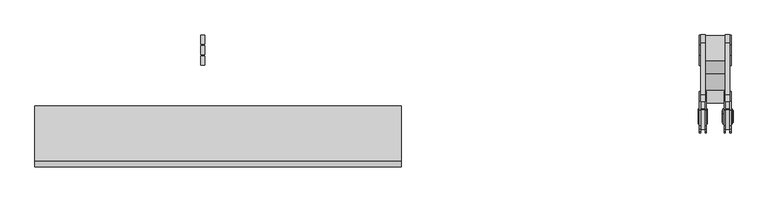
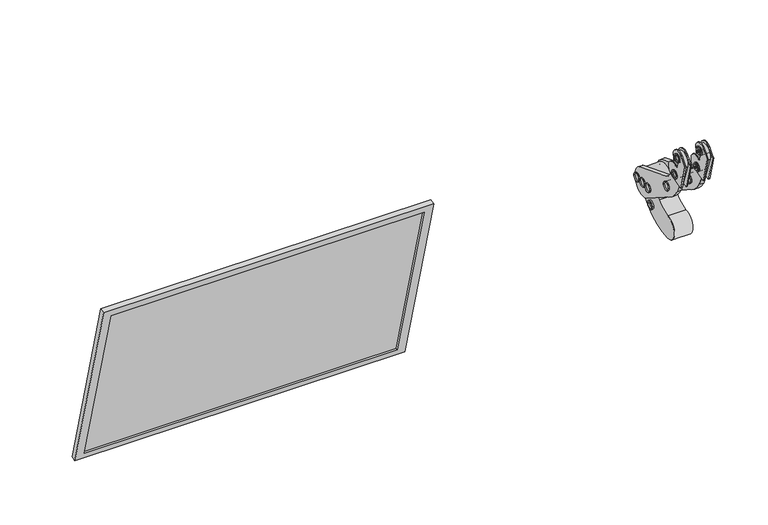
"""IFC4 building model written with IfcOpenShell, lengths in millimetres: proxy geometry."""

from ifc_helpers import new_model, si_unit, point, frame, frame_2d, origin, place, context, project, spatial, polyline, circle_curve, trimmed, segment, composite_curve, outline, extrude, faceted_brep, source, transform, mapped, element, save
from ifc_brep_helpers import plane_surface, cylinder_surface, advanced_brep


def specialty_equipment_129930ec(model_context):
    return source(origin(), model_context, "Body", "SolidModel", [
        advanced_brep(
        [(16.8529955, 1077.7573289, 2368.7338538), (16.8529955, 1066.0680176, 2368.7338538), (16.8529955, 1069.0490953, 2368.368803), (16.8529955, 1070.1647402, 2371.0312585), (16.8529955, 1073.0283159, 2371.3963092), (16.8529955, 1074.7762486, 2369.0989046), (16.8529955, 1073.6606034, 2366.4364491), (16.8529955, 1070.7970267, 2366.0713983), (-2.6876632, 1077.7573289, 2368.7338538), (-2.6876632, 1066.0680176, 2368.7338538), (-2.6876632, 1070.1647402, 2371.0312585), (-2.6876632, 1069.0490953, 2368.368803), (-2.6876632, 1070.7970267, 2366.0713983), (-2.6876632, 1073.6606034, 2366.4364491), (-2.6876632, 1074.7762486, 2369.0989046), (-2.6876632, 1073.0283159, 2371.3963092), (15.3682408, 1070.1647402, 2371.0312585), (15.3682408, 1069.0490953, 2368.368803), (15.3682408, 1070.7970267, 2366.0713983), (15.3682408, 1073.6606034, 2366.4364491), (15.3682408, 1074.7762486, 2369.0989046), (15.3682408, 1073.0283159, 2371.3963092), (-1.0349885, 1070.1647402, 2371.0312585), (-1.0349885, 1073.0283159, 2371.3963092), (-1.0349885, 1074.7762486, 2369.0989046), (-1.0349885, 1073.6606034, 2366.4364491), (-1.0349885, 1070.7970267, 2366.0713983), (-1.0349885, 1069.0490953, 2368.368803)],
        [
            (0, 1, circle_curve(frame((16.8529955, 1071.9126733, 2368.7338538), z_axis=(1.0, 0.0, 0.0), x_axis=(0.0, -1.0, 0.0)), 5.8446557)),
            (1, 0, circle_curve(frame((16.8529955, 1071.9126733, 2368.7338538), z_axis=(1.0, 0.0, 0.0), x_axis=(0.0, -1.0, 0.0)), 5.8446557)),
            (2, 3),
            (3, 4),
            (4, 5),
            (5, 6),
            (6, 7),
            (7, 2),
            (8, 9, circle_curve(frame((-2.6876632, 1071.9126733, 2368.7338538), z_axis=(-1.0, 0.0, 0.0), x_axis=(0.0, -1.0, 0.0)), 5.8446557)),
            (9, 8, circle_curve(frame((-2.6876632, 1071.9126733, 2368.7338538), z_axis=(-1.0, 0.0, 0.0), x_axis=(0.0, -1.0, 0.0)), 5.8446557)),
            (10, 11),
            (11, 12),
            (12, 13),
            (13, 14),
            (14, 15),
            (15, 10),
            (0, 8),
            (9, 1),
            (16, 17),
            (17, 18),
            (18, 19),
            (19, 20),
            (20, 21),
            (21, 16),
            (16, 3),
            (2, 17),
            (7, 18),
            (6, 19),
            (5, 20),
            (4, 21),
            (22, 23),
            (23, 24),
            (24, 25),
            (25, 26),
            (26, 27),
            (27, 22),
            (27, 11),
            (10, 22),
            (26, 12),
            (25, 13),
            (24, 14),
            (23, 15),
        ],
        [
            plane_surface(frame((16.8529955, 1066.0680176, 2368.7338538), z_axis=(1.0, 0.0, 0.0), x_axis=(0.0, 0.0, -1.0))),
            plane_surface(frame((-2.6876632, 1066.0680176, 2368.7338538), z_axis=(-1.0, 0.0, 0.0), x_axis=(0.0, 0.0, 1.0))),
            cylinder_surface(frame((-2.6876632, 1071.9126733, 2368.7338538), z_axis=(1.0, 0.0, 0.0), x_axis=(0.0, -1.0, 0.0)), 5.8446557),
            plane_surface(frame((15.3682408, 1070.1647402, 2371.0312585), z_axis=(1.0, 0.0, 0.0), x_axis=(0.0, 0.38647073058381537, 0.9223016721236127))),
            plane_surface(frame((22.7738901, 1070.1647402, 2371.0312585), z_axis=(0.0, 0.9223016721236127, -0.38647073058381537), x_axis=(-1.0, 0.0, 0.0))),
            plane_surface(frame((22.7738901, 1069.0490953, 2368.368803), z_axis=(0.0, 0.7958443731968338, 0.6055012251440445), x_axis=(-1.0, 0.0, 0.0))),
            plane_surface(frame((22.7738901, 1070.7970267, 2366.0713983), z_axis=(0.0, -0.12645730660184673, 0.9919720508194808), x_axis=(-1.0, 0.0, 0.0))),
            plane_surface(frame((22.7738901, 1073.6606034, 2366.4364491), z_axis=(0.0, -0.9223016266744618, 0.3864708390469345), x_axis=(-1.0, 0.0, 0.0))),
            plane_surface(frame((22.7738901, 1074.7762486, 2369.0989046), z_axis=(0.0, -0.7958441452566694, -0.6055015247385274), x_axis=(-1.0, 0.0, 0.0))),
            plane_surface(frame((22.7738901, 1073.0283159, 2371.3963092), z_axis=(0.0, 0.12645730660137405, -0.9919720508195411), x_axis=(-1.0, 0.0, 0.0))),
            plane_surface(frame((-1.0349885, 1070.1647402, 2371.0312585), z_axis=(-1.0, 0.0, 0.0), x_axis=(0.0, -0.38647073058381537, -0.9223016721236127))),
            plane_surface(frame((-1.0349885, 1070.1647402, 2371.0312585), z_axis=(0.0, 0.9223016721236127, -0.38647073058381537), x_axis=(-1.0, 0.0, 0.0))),
            plane_surface(frame((-1.0349885, 1069.0490953, 2368.368803), z_axis=(0.0, 0.7958443731968338, 0.6055012251440445), x_axis=(-1.0, 0.0, 0.0))),
            plane_surface(frame((-1.0349885, 1070.7970267, 2366.0713983), z_axis=(0.0, -0.12645730660184673, 0.9919720508194808), x_axis=(-1.0, 0.0, 0.0))),
            plane_surface(frame((-1.0349885, 1073.6606034, 2366.4364491), z_axis=(0.0, -0.9223016266744618, 0.3864708390469345), x_axis=(-1.0, 0.0, 0.0))),
            plane_surface(frame((-1.0349885, 1074.7762486, 2369.0989046), z_axis=(0.0, -0.7958441452566694, -0.6055015247385274), x_axis=(-1.0, 0.0, 0.0))),
            plane_surface(frame((-1.0349885, 1073.0283159, 2371.3963092), z_axis=(0.0, 0.12645730660137405, -0.9919720508195411), x_axis=(-1.0, 0.0, 0.0))),
        ],
        [
            (0, [[1, 2], [3, 4, 5, 6, 7, 8]]),
            (1, [[9, 10], [11, 12, 13, 14, 15, 16]]),
            (2, [[-1, 17, -10, 18]]),
            (2, [[-2, -18, -9, -17]]),
            (3, [[19, 20, 21, 22, 23, 24]]),
            (4, [[-19, 25, -3, 26]]),
            (5, [[-20, -26, -8, 27]]),
            (6, [[-21, -27, -7, 28]]),
            (7, [[-22, -28, -6, 29]]),
            (8, [[-23, -29, -5, 30]]),
            (9, [[-24, -30, -4, -25]]),
            (10, [[31, 32, 33, 34, 35, 36]]),
            (11, [[-36, 37, -11, 38]]),
            (12, [[-35, 39, -12, -37]]),
            (13, [[-34, 40, -13, -39]]),
            (14, [[-33, 41, -14, -40]]),
            (15, [[-32, 42, -15, -41]]),
            (16, [[-31, -38, -16, -42]]),
        ],
    ),
        advanced_brep(
        [(16.8529955, 1086.7730153, 2329.6230505), (16.8529955, 1075.0837039, 2329.6230505), (16.8529955, 1079.1544957, 2331.900492), (16.8529955, 1082.0137485, 2332.2979825), (16.8529955, 1083.7876125, 2330.020541), (16.8529955, 1082.7022223, 2327.345609), (16.8529955, 1079.8429681, 2326.9481184), (16.8529955, 1078.0691055, 2329.2255599), (-2.6876632, 1086.7730153, 2329.6230505), (-2.6876632, 1075.0837039, 2329.6230505), (-2.6876632, 1082.0137485, 2332.2979825), (-2.6876632, 1079.1544957, 2331.900492), (-2.6876632, 1078.0691055, 2329.2255599), (-2.6876632, 1079.8429681, 2326.9481184), (-2.6876632, 1082.7022223, 2327.345609), (-2.6876632, 1083.7876125, 2330.020541), (15.3682408, 1082.0137485, 2332.2979825), (15.3682408, 1079.1544957, 2331.900492), (15.3682408, 1078.0691055, 2329.2255599), (15.3682408, 1079.8429681, 2326.9481184), (15.3682408, 1082.7022223, 2327.345609), (15.3682408, 1083.7876125, 2330.020541), (-1.0349885, 1082.0137485, 2332.2979825), (-1.0349885, 1083.7876125, 2330.020541), (-1.0349885, 1082.7022223, 2327.345609), (-1.0349885, 1079.8429681, 2326.9481184), (-1.0349885, 1078.0691055, 2329.2255599), (-1.0349885, 1079.1544957, 2331.900492)],
        [
            (0, 1, circle_curve(frame((16.8529955, 1080.9283596, 2329.6230505), z_axis=(1.0, 0.0, 0.0), x_axis=(0.0, -1.0, 0.0)), 5.8446557)),
            (1, 0, circle_curve(frame((16.8529955, 1080.9283596, 2329.6230505), z_axis=(1.0, 0.0, 0.0), x_axis=(0.0, -1.0, 0.0)), 5.8446557)),
            (2, 3),
            (3, 4),
            (4, 5),
            (5, 6),
            (6, 7),
            (7, 2),
            (8, 9, circle_curve(frame((-2.6876632, 1080.9283596, 2329.6230505), z_axis=(-1.0, 0.0, 0.0), x_axis=(0.0, -1.0, 0.0)), 5.8446557)),
            (9, 8, circle_curve(frame((-2.6876632, 1080.9283596, 2329.6230505), z_axis=(-1.0, 0.0, 0.0), x_axis=(0.0, -1.0, 0.0)), 5.8446557)),
            (10, 11),
            (11, 12),
            (12, 13),
            (13, 14),
            (14, 15),
            (15, 10),
            (0, 8),
            (9, 1),
            (16, 17),
            (17, 18),
            (18, 19),
            (19, 20),
            (20, 21),
            (21, 16),
            (16, 3),
            (2, 17),
            (7, 18),
            (6, 19),
            (5, 20),
            (4, 21),
            (22, 23),
            (23, 24),
            (24, 25),
            (25, 26),
            (26, 27),
            (27, 22),
            (27, 11),
            (10, 22),
            (26, 12),
            (25, 13),
            (24, 14),
            (23, 15),
        ],
        [
            plane_surface(frame((16.8529955, 1066.0680176, 2368.7338538), z_axis=(1.0, 0.0, 0.0), x_axis=(0.0, 0.0, -1.0))),
            plane_surface(frame((-2.6876632, 1066.0680176, 2368.7338538), z_axis=(-1.0, 0.0, 0.0), x_axis=(0.0, 0.0, 1.0))),
            cylinder_surface(frame((-2055.3925339, 1080.9283596, 2329.6230505), z_axis=(1.0, 0.0, 0.0), x_axis=(0.0, -1.0, 0.0)), 5.8446557),
            plane_surface(frame((15.3682408, 1070.1647402, 2371.0312585), z_axis=(1.0, 0.0, 0.0), x_axis=(0.0, 0.38647073058381537, 0.9223016721236127))),
            plane_surface(frame((22.7738901, 1082.0137485, 2332.2979825), z_axis=(0.0, 0.13769483439562244, -0.9904747006263017), x_axis=(-1.0, 0.0, 0.0))),
            plane_surface(frame((22.7738901, 1079.1544957, 2331.900492), z_axis=(0.0, 0.9266236435334714, -0.3759901903570812), x_axis=(-1.0, 0.0, 0.0))),
            plane_surface(frame((22.7738901, 1078.0691055, 2329.2255599), z_axis=(0.0, 0.7889291170033963, 0.6144842132587636), x_axis=(-1.0, 0.0, 0.0))),
            plane_surface(frame((22.7738901, 1079.8429681, 2326.9481184), z_axis=(0.0, -0.1376947659339683, 0.9904747101437724), x_axis=(-1.0, 0.0, 0.0))),
            plane_surface(frame((22.7738901, 1082.7022223, 2327.345609), z_axis=(0.0, -0.9266236435332336, 0.3759901903576673), x_axis=(-1.0, 0.0, 0.0))),
            plane_surface(frame((22.7738901, 1083.7876125, 2330.020541), z_axis=(0.0, -0.7889288807086753, -0.6144845166346805), x_axis=(-1.0, 0.0, 0.0))),
            plane_surface(frame((-1.0349885, 1070.1647402, 2371.0312585), z_axis=(-1.0, 0.0, 0.0), x_axis=(0.0, -0.38647073058381537, -0.9223016721236127))),
            plane_surface(frame((-1.0349885, 1082.0137485, 2332.2979825), z_axis=(0.0, 0.13769483439562244, -0.9904747006263017), x_axis=(-1.0, 0.0, 0.0))),
            plane_surface(frame((-1.0349885, 1079.1544957, 2331.900492), z_axis=(0.0, 0.9266236435334714, -0.3759901903570812), x_axis=(-1.0, 0.0, 0.0))),
            plane_surface(frame((-1.0349885, 1078.0691055, 2329.2255599), z_axis=(0.0, 0.7889291170033963, 0.6144842132587636), x_axis=(-1.0, 0.0, 0.0))),
            plane_surface(frame((-1.0349885, 1079.8429681, 2326.9481184), z_axis=(0.0, -0.1376947659339683, 0.9904747101437724), x_axis=(-1.0, 0.0, 0.0))),
            plane_surface(frame((-1.0349885, 1082.7022223, 2327.345609), z_axis=(0.0, -0.9266236435332336, 0.3759901903576673), x_axis=(-1.0, 0.0, 0.0))),
            plane_surface(frame((-1.0349885, 1083.7876125, 2330.020541), z_axis=(0.0, -0.7889288807086753, -0.6144845166346805), x_axis=(-1.0, 0.0, 0.0))),
        ],
        [
            (0, [[1, 2], [3, 4, 5, 6, 7, 8]]),
            (1, [[9, 10], [11, 12, 13, 14, 15, 16]]),
            (2, [[-1, 17, -10, 18]]),
            (2, [[-2, -18, -9, -17]]),
            (3, [[19, 20, 21, 22, 23, 24]]),
            (4, [[-19, 25, -3, 26]]),
            (5, [[-20, -26, -8, 27]]),
            (6, [[-21, -27, -7, 28]]),
            (7, [[-22, -28, -6, 29]]),
            (8, [[-23, -29, -5, 30]]),
            (9, [[-24, -30, -4, -25]]),
            (10, [[31, 32, 33, 34, 35, 36]]),
            (11, [[-36, 37, -11, 38]]),
            (12, [[-35, 39, -12, -37]]),
            (13, [[-34, 40, -13, -39]]),
            (14, [[-33, 41, -14, -40]]),
            (15, [[-32, 42, -15, -41]]),
            (16, [[-31, -38, -16, -42]]),
        ],
    ),
        extrude(outline(composite_curve([segment(trimmed(circle_curve(frame_2d((1175.4982895, 2243.5686033)), 8.65), [point((1184.1482895, 2243.5686033))], [point((1166.8482895, 2243.5686033))], False, "CARTESIAN"), True, "CONTINUOUS"), segment(trimmed(circle_curve(frame_2d((1175.4982895, 2243.5686033)), 8.65), [point((1166.8482895, 2243.5686033))], [point((1184.1482895, 2243.5686033))], False, "CARTESIAN"), True, "CONTINUOUS")], self_intersect=False), holes=[composite_curve([segment(trimmed(circle_curve(frame_2d((1175.4570308, 2243.6951894)), 8.0), [point((1183.4570308, 2243.6951894))], [point((1167.4570307, 2243.6951894))], True, "CARTESIAN"), True, "CONTINUOUS"), segment(trimmed(circle_curve(frame_2d((1175.4570308, 2243.6951894)), 8.0), [point((1167.4570307, 2243.6951894))], [point((1183.4570308, 2243.6951894))], True, "CARTESIAN"), True, "CONTINUOUS")], self_intersect=False)]), frame((-42.9467709, 0.0, 0.0), z_axis=(1.0, 0.0, 0.0), x_axis=(0.0, 1.0, 0.0)), (0.0, 0.0, 1.0), 2.0895853),
        extrude(outline(composite_curve([segment(trimmed(circle_curve(frame_2d((1193.9243828, 2243.5781776)), 8.65), [point((1202.5743828, 2243.5781776))], [point((1185.2743828, 2243.5781776))], False, "CARTESIAN"), True, "CONTINUOUS"), segment(trimmed(circle_curve(frame_2d((1193.9243828, 2243.5781776)), 8.65), [point((1185.2743828, 2243.5781776))], [point((1202.5743828, 2243.5781776))], False, "CARTESIAN"), True, "CONTINUOUS")], self_intersect=False), holes=[composite_curve([segment(trimmed(circle_curve(frame_2d((1193.9243828, 2243.5781776)), 8.0), [point((1201.9243828, 2243.5781776))], [point((1185.9243828, 2243.5781776))], True, "CARTESIAN"), True, "CONTINUOUS"), segment(trimmed(circle_curve(frame_2d((1193.9243828, 2243.5781776)), 8.0), [point((1185.9243828, 2243.5781776))], [point((1201.9243828, 2243.5781776))], True, "CARTESIAN"), True, "CONTINUOUS")], self_intersect=False)]), frame((-42.9467709, 0.0, 0.0), z_axis=(1.0, 0.0, 0.0), x_axis=(0.0, 1.0, 0.0)), (0.0, 0.0, 1.0), 2.0895853),
        extrude(outline(composite_curve([segment(trimmed(circle_curve(frame_2d((1212.3917369, 2243.5827149)), 8.65), [point((1221.0417369, 2243.5827149))], [point((1203.7417369, 2243.5827149))], False, "CARTESIAN"), True, "CONTINUOUS"), segment(trimmed(circle_curve(frame_2d((1212.3917369, 2243.5827149)), 8.65), [point((1203.7417369, 2243.5827149))], [point((1221.0417369, 2243.5827149))], False, "CARTESIAN"), True, "CONTINUOUS")], self_intersect=False), holes=[composite_curve([segment(trimmed(circle_curve(frame_2d((1212.3917369, 2243.5827149)), 8.0), [point((1220.3917369, 2243.5827149))], [point((1204.3917369, 2243.5827149))], True, "CARTESIAN"), True, "CONTINUOUS"), segment(trimmed(circle_curve(frame_2d((1212.3917369, 2243.5827149)), 8.0), [point((1204.3917369, 2243.5827149))], [point((1220.3917369, 2243.5827149))], True, "CARTESIAN"), True, "CONTINUOUS")], self_intersect=False)]), frame((-42.9467709, 0.0, 0.0), z_axis=(1.0, 0.0, 0.0), x_axis=(0.0, 1.0, 0.0)), (0.0, 0.0, 1.0), 2.0895853),
        extrude(outline(composite_curve([segment(trimmed(circle_curve(frame_2d((1112.0049574, 2285.6600288)), 8.65), [point((1120.6549574, 2285.6600288))], [point((1103.3549574, 2285.6600288))], False, "CARTESIAN"), True, "CONTINUOUS"), segment(trimmed(circle_curve(frame_2d((1112.0049574, 2285.6600288)), 8.65), [point((1103.3549574, 2285.6600288))], [point((1120.6549574, 2285.6600288))], False, "CARTESIAN"), True, "CONTINUOUS")], self_intersect=False), holes=[composite_curve([segment(trimmed(circle_curve(frame_2d((1112.0049574, 2285.6600288)), 8.0), [point((1120.0049574, 2285.6600288))], [point((1104.0049574, 2285.6600288))], True, "CARTESIAN"), True, "CONTINUOUS"), segment(trimmed(circle_curve(frame_2d((1112.0049574, 2285.6600288)), 8.0), [point((1104.0049574, 2285.6600288))], [point((1120.0049574, 2285.6600288))], True, "CARTESIAN"), True, "CONTINUOUS")], self_intersect=False)]), frame((-42.9467709, 0.0, 0.0), z_axis=(1.0, 0.0, 0.0), x_axis=(0.0, 1.0, 0.0)), (0.0, 0.0, 1.0), 12.1793386),
        extrude(outline(composite_curve([segment(trimmed(circle_curve(frame_2d((1178.9307976, 2203.5757744)), 8.45), [point((1187.3807976, 2203.5757744))], [point((1170.4807976, 2203.5757744))], False, "CARTESIAN"), True, "CONTINUOUS"), segment(trimmed(circle_curve(frame_2d((1178.9307976, 2203.5757744)), 8.45), [point((1170.4807976, 2203.5757744))], [point((1187.3807976, 2203.5757744))], False, "CARTESIAN"), True, "CONTINUOUS")], self_intersect=False), holes=[composite_curve([segment(trimmed(circle_curve(frame_2d((1178.9307976, 2203.5757744)), 5.8446557), [point((1184.7754533, 2203.5757744))], [point((1173.086142, 2203.5757744))], True, "CARTESIAN"), True, "CONTINUOUS"), segment(trimmed(circle_curve(frame_2d((1178.9307976, 2203.5757744)), 5.8446557), [point((1173.086142, 2203.5757744))], [point((1184.7754533, 2203.5757744))], True, "CARTESIAN"), True, "CONTINUOUS")], self_intersect=False)]), frame((-35.6898023, 0.0, 0.0), z_axis=(1.0, 0.0, 0.0), x_axis=(0.0, 1.0, 0.0)), (0.0, 0.0, 1.0), 42.0069327),
        extrude(outline(composite_curve([segment(trimmed(circle_curve(frame_2d((1112.0049574, 2285.6600288)), 8.65), [point((1120.6549574, 2285.6600288))], [point((1103.3549574, 2285.6600288))], False, "CARTESIAN"), True, "CONTINUOUS"), segment(trimmed(circle_curve(frame_2d((1112.0049574, 2285.6600288)), 8.65), [point((1103.3549574, 2285.6600288))], [point((1120.6549574, 2285.6600288))], False, "CARTESIAN"), True, "CONTINUOUS")], self_intersect=False), holes=[composite_curve([segment(trimmed(circle_curve(frame_2d((1112.0049574, 2285.6600288)), 8.0), [point((1120.0049574, 2285.6600288))], [point((1104.0049574, 2285.6600288))], True, "CARTESIAN"), True, "CONTINUOUS"), segment(trimmed(circle_curve(frame_2d((1112.0049574, 2285.6600288)), 8.0), [point((1104.0049574, 2285.6600288))], [point((1120.0049574, 2285.6600288))], True, "CARTESIAN"), True, "CONTINUOUS")], self_intersect=False)]), frame((1.0401961, 0.0, 0.0), z_axis=(1.0, 0.0, 0.0), x_axis=(0.0, 1.0, 0.0)), (0.0, 0.0, 1.0), 12.1793386),
        extrude(outline(composite_curve([segment(polyline([(1079.190106, 2358.3621293), (1077.0142911, 2362.1307512)]), True, "CONTINUOUS"), segment(trimmed(circle_curve(frame_2d((1071.9192009, 2368.1481455)), 7.8847307), [point((1077.0142911, 2362.1307512))], [point((1069.8647097, 2360.5357842))], False, "CARTESIAN"), True, "CONTINUOUS"), segment(polyline([(1069.8647097, 2360.5357842), (1072.4044544, 2351.0573281)]), True, "CONTINUOUS"), segment(trimmed(circle_curve(frame_2d((1077.2340835, 2352.3514234)), 5.0), [point((1072.4044544, 2351.0573281))], [point((1078.5298679, 2347.5222472))], True, "CARTESIAN"), True, "CONTINUOUS"), segment(polyline([(1078.5298679, 2347.5222472), (1084.3680941, 2349.0865951)]), True, "CONTINUOUS"), segment(trimmed(circle_curve(frame_2d((1088.1393221, 2335.0121808)), 14.5709059), [point((1084.3680941, 2349.0865951))], [point((1097.7233332, 2324.0368434))], False, "CARTESIAN"), True, "CONTINUOUS"), segment(trimmed(circle_curve(frame_2d((1087.953145, 2334.7408388)), 14.4924841), [point((1097.7233332, 2324.0368434))], [point((1091.6769866, 2320.7349436))], False, "CARTESIAN"), True, "CONTINUOUS"), segment(polyline([(1091.6769866, 2320.7349436), (1060.7634624, 2312.5157569), (1046.9755758, 2364.373949)]), True, "CONTINUOUS"), segment(trimmed(circle_curve(frame_2d((1045.5188858, 2369.1570499)), 5.0), [point((1046.9755758, 2364.373949))], [point((1049.4589396, 2366.0787425))], True, "CARTESIAN"), True, "CONTINUOUS"), segment(polyline([(1049.4589396, 2366.0787425), (1054.3874606, 2372.3869618), (1060.7469074, 2379.5888948)]), True, "CONTINUOUS"), segment(trimmed(circle_curve(frame_2d((1071.3575234, 2368.5845243)), 15.2866393), [point((1060.7469074, 2379.5888948))], [point((1082.3618939, 2357.9739084))], False, "CARTESIAN"), True, "CONTINUOUS"), segment(trimmed(circle_curve(frame_2d((1080.9221568, 2359.3621293)), 2.0), [point((1082.3618939, 2357.9739084))], [point((1079.190106, 2358.3621293))], False, "CARTESIAN"), True, "CONTINUOUS")], self_intersect=False)), frame((-42.9467709, 0.0, 0.0), z_axis=(1.0, 0.0, 0.0), x_axis=(0.0, 1.0, 0.0)), (0.0, 0.0, 1.0), 2.0895853),
        extrude(outline(composite_curve([segment(trimmed(circle_curve(frame_2d((1071.9126733, 2368.7338538)), 8.45), [point((1080.3626733, 2368.7338538))], [point((1063.4626733, 2368.7338538))], False, "CARTESIAN"), True, "CONTINUOUS"), segment(trimmed(circle_curve(frame_2d((1071.9126733, 2368.7338538)), 8.45), [point((1063.4626733, 2368.7338538))], [point((1080.3626733, 2368.7338538))], False, "CARTESIAN"), True, "CONTINUOUS")], self_intersect=False), holes=[composite_curve([segment(trimmed(circle_curve(frame_2d((1071.9126733, 2368.7338538)), 5.8446557), [point((1077.7573289, 2368.7338538))], [point((1066.0680176, 2368.7338538))], True, "CARTESIAN"), True, "CONTINUOUS"), segment(trimmed(circle_curve(frame_2d((1071.9126733, 2368.7338538)), 5.8446557), [point((1066.0680176, 2368.7338538))], [point((1077.7573289, 2368.7338538))], True, "CARTESIAN"), True, "CONTINUOUS")], self_intersect=False)]), frame((-45.0219556, 0.0, 0.0), z_axis=(1.0, 0.0, 0.0), x_axis=(0.0, 1.0, 0.0)), (0.0, 0.0, 1.0), 16.4032293),
        extrude(outline(composite_curve([segment(trimmed(circle_curve(frame_2d((1080.9283596, 2329.6230505)), 8.45), [point((1089.3783596, 2329.6230505))], [point((1072.4783596, 2329.6230505))], False, "CARTESIAN"), True, "CONTINUOUS"), segment(trimmed(circle_curve(frame_2d((1080.9283596, 2329.6230505)), 8.45), [point((1072.4783596, 2329.6230505))], [point((1089.3783596, 2329.6230505))], False, "CARTESIAN"), True, "CONTINUOUS")], self_intersect=False), holes=[composite_curve([segment(trimmed(circle_curve(frame_2d((1080.9283596, 2329.6230505)), 5.8446557), [point((1086.7730153, 2329.6230505))], [point((1075.0837039, 2329.6230505))], True, "CARTESIAN"), True, "CONTINUOUS"), segment(trimmed(circle_curve(frame_2d((1080.9283596, 2329.6230505)), 5.8446557), [point((1075.0837039, 2329.6230505))], [point((1086.7730153, 2329.6230505))], True, "CARTESIAN"), True, "CONTINUOUS")], self_intersect=False)]), frame((-45.0219556, 0.0, 0.0), z_axis=(1.0, 0.0, 0.0), x_axis=(0.0, 1.0, 0.0)), (0.0, 0.0, 1.0), 16.4032293),
        extrude(outline(composite_curve([segment(polyline([(1079.190106, 2358.3621293), (1077.0142911, 2362.1307512)]), True, "CONTINUOUS"), segment(trimmed(circle_curve(frame_2d((1071.9192009, 2368.1481455)), 7.8847307), [point((1077.0142911, 2362.1307512))], [point((1069.8647097, 2360.5357842))], False, "CARTESIAN"), True, "CONTINUOUS"), segment(polyline([(1069.8647097, 2360.5357842), (1072.4044544, 2351.0573281)]), True, "CONTINUOUS"), segment(trimmed(circle_curve(frame_2d((1077.2340835, 2352.3514234)), 5.0), [point((1072.4044544, 2351.0573281))], [point((1078.5298679, 2347.5222472))], True, "CARTESIAN"), True, "CONTINUOUS"), segment(polyline([(1078.5298679, 2347.5222472), (1084.3680941, 2349.0865951)]), True, "CONTINUOUS"), segment(trimmed(circle_curve(frame_2d((1088.1393221, 2335.0121808)), 14.5709059), [point((1084.3680941, 2349.0865951))], [point((1097.7233332, 2324.0368434))], False, "CARTESIAN"), True, "CONTINUOUS"), segment(trimmed(circle_curve(frame_2d((1087.953145, 2334.7408388)), 14.4924841), [point((1097.7233332, 2324.0368434))], [point((1091.6769866, 2320.7349436))], False, "CARTESIAN"), True, "CONTINUOUS"), segment(polyline([(1091.6769866, 2320.7349436), (1060.7634624, 2312.5157569), (1046.9755758, 2364.373949)]), True, "CONTINUOUS"), segment(trimmed(circle_curve(frame_2d((1045.5188858, 2369.1570499)), 5.0), [point((1046.9755758, 2364.373949))], [point((1049.4589396, 2366.0787425))], True, "CARTESIAN"), True, "CONTINUOUS"), segment(polyline([(1049.4589396, 2366.0787425), (1054.3874606, 2372.3869618), (1060.7469074, 2379.5888948)]), True, "CONTINUOUS"), segment(trimmed(circle_curve(frame_2d((1071.3575234, 2368.5845243)), 15.2866393), [point((1060.7469074, 2379.5888948))], [point((1082.3618939, 2357.9739084))], False, "CARTESIAN"), True, "CONTINUOUS"), segment(trimmed(circle_curve(frame_2d((1080.9221568, 2359.3621293)), 2.0), [point((1082.3618939, 2357.9739084))], [point((1079.190106, 2358.3621293))], False, "CARTESIAN"), True, "CONTINUOUS")], self_intersect=False)), frame((-32.8570176, 0.0, 0.0), z_axis=(1.0, 0.0, 0.0), x_axis=(0.0, 1.0, 0.0)), (0.0, 0.0, 1.0), 2.0895853),
        extrude(outline(composite_curve([segment(trimmed(circle_curve(frame_2d((1175.4982895, 2243.5686033)), 8.65), [point((1184.1482895, 2243.5686033))], [point((1166.8482895, 2243.5686033))], False, "CARTESIAN"), True, "CONTINUOUS"), segment(trimmed(circle_curve(frame_2d((1175.4982895, 2243.5686033)), 8.65), [point((1166.8482895, 2243.5686033))], [point((1184.1482895, 2243.5686033))], False, "CARTESIAN"), True, "CONTINUOUS")], self_intersect=False), holes=[composite_curve([segment(trimmed(circle_curve(frame_2d((1175.4570308, 2243.6951894)), 8.0), [point((1183.4570308, 2243.6951894))], [point((1167.4570307, 2243.6951894))], True, "CARTESIAN"), True, "CONTINUOUS"), segment(trimmed(circle_curve(frame_2d((1175.4570308, 2243.6951894)), 8.0), [point((1167.4570307, 2243.6951894))], [point((1183.4570308, 2243.6951894))], True, "CARTESIAN"), True, "CONTINUOUS")], self_intersect=False)]), frame((6.3568341, 0.0, 0.0), z_axis=(1.0, 0.0, 0.0), x_axis=(0.0, 1.0, 0.0)), (0.0, 0.0, 1.0), 6.8627007),
        extrude(outline(composite_curve([segment(trimmed(circle_curve(frame_2d((1193.9243828, 2243.5781776)), 8.65), [point((1202.5743828, 2243.5781776))], [point((1185.2743828, 2243.5781776))], False, "CARTESIAN"), True, "CONTINUOUS"), segment(trimmed(circle_curve(frame_2d((1193.9243828, 2243.5781776)), 8.65), [point((1185.2743828, 2243.5781776))], [point((1202.5743828, 2243.5781776))], False, "CARTESIAN"), True, "CONTINUOUS")], self_intersect=False), holes=[composite_curve([segment(trimmed(circle_curve(frame_2d((1193.9243828, 2243.5781776)), 8.0), [point((1201.9243828, 2243.5781776))], [point((1185.9243828, 2243.5781776))], True, "CARTESIAN"), True, "CONTINUOUS"), segment(trimmed(circle_curve(frame_2d((1193.9243828, 2243.5781776)), 8.0), [point((1185.9243828, 2243.5781776))], [point((1201.9243828, 2243.5781776))], True, "CARTESIAN"), True, "CONTINUOUS")], self_intersect=False)]), frame((6.3568341, 0.0, 0.0), z_axis=(1.0, 0.0, 0.0), x_axis=(0.0, 1.0, 0.0)), (0.0, 0.0, 1.0), 6.8627007),
        extrude(outline(composite_curve([segment(trimmed(circle_curve(frame_2d((1212.3917369, 2243.5827149)), 8.65), [point((1221.0417369, 2243.5827149))], [point((1203.7417369, 2243.5827149))], False, "CARTESIAN"), True, "CONTINUOUS"), segment(trimmed(circle_curve(frame_2d((1212.3917369, 2243.5827149)), 8.65), [point((1203.7417369, 2243.5827149))], [point((1221.0417369, 2243.5827149))], False, "CARTESIAN"), True, "CONTINUOUS")], self_intersect=False), holes=[composite_curve([segment(trimmed(circle_curve(frame_2d((1212.3917369, 2243.5827149)), 8.0), [point((1220.3917369, 2243.5827149))], [point((1204.3917369, 2243.5827149))], True, "CARTESIAN"), True, "CONTINUOUS"), segment(trimmed(circle_curve(frame_2d((1212.3917369, 2243.5827149)), 8.0), [point((1204.3917369, 2243.5827149))], [point((1220.3917369, 2243.5827149))], True, "CARTESIAN"), True, "CONTINUOUS")], self_intersect=False)]), frame((6.3568341, 0.0, 0.0), z_axis=(1.0, 0.0, 0.0), x_axis=(0.0, 1.0, 0.0)), (0.0, 0.0, 1.0), 6.8627007),
        extrude(outline(composite_curve([segment(polyline([(1079.190106, 2358.3621293), (1077.0142911, 2362.1307512)]), True, "CONTINUOUS"), segment(trimmed(circle_curve(frame_2d((1071.9192009, 2368.1481455)), 7.8847307), [point((1077.0142911, 2362.1307512))], [point((1069.8647097, 2360.5357842))], False, "CARTESIAN"), True, "CONTINUOUS"), segment(polyline([(1069.8647097, 2360.5357842), (1072.4044544, 2351.0573281)]), True, "CONTINUOUS"), segment(trimmed(circle_curve(frame_2d((1077.2340835, 2352.3514234)), 5.0), [point((1072.4044544, 2351.0573281))], [point((1078.5298679, 2347.5222472))], True, "CARTESIAN"), True, "CONTINUOUS"), segment(polyline([(1078.5298679, 2347.5222472), (1084.3680941, 2349.0865951)]), True, "CONTINUOUS"), segment(trimmed(circle_curve(frame_2d((1088.1393221, 2335.0121808)), 14.5709059), [point((1084.3680941, 2349.0865951))], [point((1097.7233332, 2324.0368434))], False, "CARTESIAN"), True, "CONTINUOUS"), segment(trimmed(circle_curve(frame_2d((1087.953145, 2334.7408388)), 14.4924841), [point((1097.7233332, 2324.0368434))], [point((1091.6769866, 2320.7349436))], False, "CARTESIAN"), True, "CONTINUOUS"), segment(polyline([(1091.6769866, 2320.7349436), (1060.7634624, 2312.5157569), (1046.9755758, 2364.373949)]), True, "CONTINUOUS"), segment(trimmed(circle_curve(frame_2d((1045.5188858, 2369.1570499)), 5.0), [point((1046.9755758, 2364.373949))], [point((1049.4589396, 2366.0787425))], True, "CARTESIAN"), True, "CONTINUOUS"), segment(polyline([(1049.4589396, 2366.0787425), (1054.3874606, 2372.3869618), (1060.7469074, 2379.5888948)]), True, "CONTINUOUS"), segment(trimmed(circle_curve(frame_2d((1071.3575234, 2368.5845243)), 15.2866393), [point((1060.7469074, 2379.5888948))], [point((1082.3618939, 2357.9739084))], False, "CARTESIAN"), True, "CONTINUOUS"), segment(trimmed(circle_curve(frame_2d((1080.9221568, 2359.3621293)), 2.0), [point((1082.3618939, 2357.9739084))], [point((1079.190106, 2358.3621293))], False, "CARTESIAN"), True, "CONTINUOUS")], self_intersect=False)), frame((1.0401961, 0.0, 0.0), z_axis=(1.0, 0.0, 0.0), x_axis=(0.0, 1.0, 0.0)), (0.0, 0.0, 1.0), 2.0895853),
        extrude(outline(composite_curve([segment(trimmed(circle_curve(frame_2d((1071.9126733, 2368.7338538)), 8.45), [point((1080.3626733, 2368.7338538))], [point((1063.4626733, 2368.7338538))], False, "CARTESIAN"), True, "CONTINUOUS"), segment(trimmed(circle_curve(frame_2d((1071.9126733, 2368.7338538)), 8.45), [point((1063.4626733, 2368.7338538))], [point((1080.3626733, 2368.7338538))], False, "CARTESIAN"), True, "CONTINUOUS")], self_intersect=False), holes=[composite_curve([segment(trimmed(circle_curve(frame_2d((1071.9126733, 2368.7338538)), 5.8446557), [point((1077.7573289, 2368.7338538))], [point((1066.0680176, 2368.7338538))], True, "CARTESIAN"), True, "CONTINUOUS"), segment(trimmed(circle_curve(frame_2d((1071.9126733, 2368.7338538)), 5.8446557), [point((1066.0680176, 2368.7338538))], [point((1077.7573289, 2368.7338538))], True, "CARTESIAN"), True, "CONTINUOUS")], self_intersect=False)]), frame((-1.0349885, 0.0, 0.0), z_axis=(1.0, 0.0, 0.0), x_axis=(0.0, 1.0, 0.0)), (0.0, 0.0, 1.0), 16.4032293),
        extrude(outline(composite_curve([segment(trimmed(circle_curve(frame_2d((1080.9283596, 2329.6230505)), 8.45), [point((1089.3783596, 2329.6230505))], [point((1072.4783596, 2329.6230505))], False, "CARTESIAN"), True, "CONTINUOUS"), segment(trimmed(circle_curve(frame_2d((1080.9283596, 2329.6230505)), 8.45), [point((1072.4783596, 2329.6230505))], [point((1089.3783596, 2329.6230505))], False, "CARTESIAN"), True, "CONTINUOUS")], self_intersect=False), holes=[composite_curve([segment(trimmed(circle_curve(frame_2d((1080.9283596, 2329.6230505)), 5.8446557), [point((1086.7730153, 2329.6230505))], [point((1075.0837039, 2329.6230505))], True, "CARTESIAN"), True, "CONTINUOUS"), segment(trimmed(circle_curve(frame_2d((1080.9283596, 2329.6230505)), 5.8446557), [point((1075.0837039, 2329.6230505))], [point((1086.7730153, 2329.6230505))], True, "CARTESIAN"), True, "CONTINUOUS")], self_intersect=False)]), frame((-1.0349885, 0.0, 0.0), z_axis=(1.0, 0.0, 0.0), x_axis=(0.0, 1.0, 0.0)), (0.0, 0.0, 1.0), 16.4032293),
        extrude(outline(composite_curve([segment(trimmed(circle_curve(frame_2d((1123.49458, 2259.3001399)), 92.0415841), [point((1189.3889247, 2195.0382652))], [point((1123.49458, 2167.2585558))], False, "CARTESIAN"), True, "CONTINUOUS"), segment(trimmed(circle_curve(frame_2d((1123.49458, 2190.5757436)), 23.3171878), [point((1123.49458, 2167.2585558))], [point((1123.49458, 2213.8929315))], False, "CARTESIAN"), True, "CONTINUOUS"), segment(trimmed(circle_curve(frame_2d((1108.1498536, 2277.8754307)), 65.7968148), [point((1123.49458, 2213.8929315))], [point((1152.6130872, 2229.3755164))], True, "CARTESIAN"), True, "CONTINUOUS"), segment(trimmed(circle_curve(frame_2d((1047.9281801, 2343.5644452)), 154.9130118), [point((1152.6130872, 2229.3755164))], [point((1175.5751533, 2255.7903517))], True, "CARTESIAN"), True, "CONTINUOUS"), segment(trimmed(circle_curve(frame_2d((1195.6662993, 2241.9750446)), 24.3827163), [point((1175.5751533, 2255.7903517))], [point((1216.7720729, 2229.7659015))], False, "CARTESIAN"), True, "CONTINUOUS"), segment(trimmed(circle_curve(frame_2d((1084.7207973, 2305.7300949)), 152.342043), [point((1216.7720729, 2229.7659015))], [point((1189.3889247, 2195.0382652))], False, "CARTESIAN"), True, "CONTINUOUS")], self_intersect=False)), frame((-32.8701408, 0.0, 0.0), z_axis=(1.0, 0.0, 0.0), x_axis=(0.0, 1.0, 0.0)), (0.0, 0.0, 1.0), 35.9999222),
        extrude(outline(composite_curve([segment(polyline([(1079.190106, 2358.3621293), (1077.0142911, 2362.1307512)]), True, "CONTINUOUS"), segment(trimmed(circle_curve(frame_2d((1071.9192009, 2368.1481455)), 7.8847307), [point((1077.0142911, 2362.1307512))], [point((1069.8647097, 2360.5357842))], False, "CARTESIAN"), True, "CONTINUOUS"), segment(polyline([(1069.8647097, 2360.5357842), (1072.4044544, 2351.0573281)]), True, "CONTINUOUS"), segment(trimmed(circle_curve(frame_2d((1077.2340835, 2352.3514234)), 5.0), [point((1072.4044544, 2351.0573281))], [point((1078.5298679, 2347.5222472))], True, "CARTESIAN"), True, "CONTINUOUS"), segment(polyline([(1078.5298679, 2347.5222472), (1084.3680941, 2349.0865951)]), True, "CONTINUOUS"), segment(trimmed(circle_curve(frame_2d((1088.1393221, 2335.0121808)), 14.5709059), [point((1084.3680941, 2349.0865951))], [point((1097.7233332, 2324.0368434))], False, "CARTESIAN"), True, "CONTINUOUS"), segment(trimmed(circle_curve(frame_2d((1087.953145, 2334.7408388)), 14.4924841), [point((1097.7233332, 2324.0368434))], [point((1091.6769866, 2320.7349436))], False, "CARTESIAN"), True, "CONTINUOUS"), segment(polyline([(1091.6769866, 2320.7349436), (1060.7634624, 2312.5157569), (1046.9755758, 2364.373949)]), True, "CONTINUOUS"), segment(trimmed(circle_curve(frame_2d((1045.5188858, 2369.1570499)), 5.0), [point((1046.9755758, 2364.373949))], [point((1049.4589396, 2366.0787425))], True, "CARTESIAN"), True, "CONTINUOUS"), segment(polyline([(1049.4589396, 2366.0787425), (1054.3874606, 2372.3869618), (1060.7469074, 2379.5888948)]), True, "CONTINUOUS"), segment(trimmed(circle_curve(frame_2d((1071.3575234, 2368.5845243)), 15.2866393), [point((1060.7469074, 2379.5888948))], [point((1082.3618939, 2357.9739084))], False, "CARTESIAN"), True, "CONTINUOUS"), segment(trimmed(circle_curve(frame_2d((1080.9221568, 2359.3621293)), 2.0), [point((1082.3618939, 2357.9739084))], [point((1079.190106, 2358.3621293))], False, "CARTESIAN"), True, "CONTINUOUS")], self_intersect=False)), frame((11.1299494, 0.0, 0.0), z_axis=(1.0, 0.0, 0.0), x_axis=(0.0, 1.0, 0.0)), (0.0, 0.0, 1.0), 2.0895853),
        extrude(outline(composite_curve([segment(trimmed(circle_curve(frame_2d((1143.2416157, 2331.969704)), 75.749819), [point((1105.4131324, 2266.341654))], [point((1077.6135658, 2294.1412207))], False, "CARTESIAN"), True, "CONTINUOUS"), segment(polyline([(1077.6135658, 2294.1412207), (1068.8778691, 2315.2497011), (1053.964647, 2357.6461681)]), True, "CONTINUOUS"), segment(trimmed(circle_curve(frame_2d((1070.4664255, 2362.5382187)), 17.2116487), [point((1053.964647, 2357.6461681))], [point((1087.5124116, 2364.9204879))], False, "CARTESIAN"), True, "CONTINUOUS"), segment(polyline([(1087.5124116, 2364.9204879), (1090.5459192, 2343.2146581)]), True, "CONTINUOUS"), segment(trimmed(circle_curve(frame_2d((1154.8551058, 2352.7159655)), 65.0072789), [point((1090.5459192, 2343.2146581))], [point((1102.639009, 2313.9935489))], True, "CARTESIAN"), True, "CONTINUOUS"), segment(trimmed(circle_curve(frame_2d((1124.9765235, 2329.1147068)), 26.9743206), [point((1102.639009, 2313.9935489))], [point((1115.0878698, 2304.0183226))], True, "CARTESIAN"), True, "CONTINUOUS"), segment(polyline([(1115.0878698, 2304.0183226), (1207.0757135, 2267.7726257)]), True, "CONTINUOUS"), segment(trimmed(circle_curve(frame_2d((1193.028795, 2243.2700582)), 28.2434369), [point((1207.0757135, 2267.7726257))], [point((1182.1790459, 2217.1937343))], False, "CARTESIAN"), True, "CONTINUOUS"), segment(polyline([(1182.1790459, 2217.1937343), (1121.2129227, 2256.30786)]), True, "CONTINUOUS"), segment(trimmed(circle_curve(frame_2d((1088.8667827, 2222.8302912)), 46.5512662), [point((1121.2129227, 2256.30786))], [point((1105.4131324, 2266.341654))], True, "CARTESIAN"), True, "CONTINUOUS")], self_intersect=False)), frame((-40.8571856, 0.0, 0.0), z_axis=(1.0, 0.0, 0.0), x_axis=(0.0, 1.0, 0.0)), (0.0, 0.0, 1.0), 8.000168),
        extrude(outline(composite_curve([segment(trimmed(circle_curve(frame_2d((1143.2416157, 2331.969704)), 75.749819), [point((1105.4131324, 2266.341654))], [point((1077.6135658, 2294.1412207))], False, "CARTESIAN"), True, "CONTINUOUS"), segment(polyline([(1077.6135658, 2294.1412207), (1068.8778691, 2315.2497011), (1053.964647, 2357.6461681)]), True, "CONTINUOUS"), segment(trimmed(circle_curve(frame_2d((1070.4664255, 2362.5382187)), 17.2116487), [point((1053.964647, 2357.6461681))], [point((1087.5124116, 2364.9204879))], False, "CARTESIAN"), True, "CONTINUOUS"), segment(polyline([(1087.5124116, 2364.9204879), (1090.5459192, 2343.2146581)]), True, "CONTINUOUS"), segment(trimmed(circle_curve(frame_2d((1154.8551058, 2352.7159655)), 65.0072789), [point((1090.5459192, 2343.2146581))], [point((1102.639009, 2313.9935489))], True, "CARTESIAN"), True, "CONTINUOUS"), segment(trimmed(circle_curve(frame_2d((1124.9765235, 2329.1147068)), 26.9743206), [point((1102.639009, 2313.9935489))], [point((1115.0878698, 2304.0183226))], True, "CARTESIAN"), True, "CONTINUOUS"), segment(polyline([(1115.0878698, 2304.0183226), (1207.0757135, 2267.7726257)]), True, "CONTINUOUS"), segment(trimmed(circle_curve(frame_2d((1193.028795, 2243.2700582)), 28.2434369), [point((1207.0757135, 2267.7726257))], [point((1182.1790459, 2217.1937343))], False, "CARTESIAN"), True, "CONTINUOUS"), segment(polyline([(1182.1790459, 2217.1937343), (1121.2129227, 2256.30786)]), True, "CONTINUOUS"), segment(trimmed(circle_curve(frame_2d((1088.8667827, 2222.8302912)), 46.5512662), [point((1121.2129227, 2256.30786))], [point((1105.4131324, 2266.341654))], True, "CARTESIAN"), True, "CONTINUOUS")], self_intersect=False)), frame((3.1297814, 0.0, 0.0), z_axis=(1.0, 0.0, 0.0), x_axis=(0.0, 1.0, 0.0)), (0.0, 0.0, 1.0), 8.000168),
        advanced_brep(
        [(-919.2376038, 1183.4570308, 2243.6951894), (-919.2376038, 1167.4570307, 2243.6951894), (-925.5510798, 1183.4570308, 2243.6951894), (-925.5510798, 1167.4570307, 2243.6951894), (-925.5510798, 1176.3620855, 2246.5556997), (-925.5510798, 1173.565847, 2245.8384946), (-925.5510798, 1172.788846, 2243.0582803), (-925.5510798, 1174.8080847, 2240.9952677), (-925.5510798, 1177.347576, 2241.6466201), (-925.5510798, 1178.2366058, 2244.6405428), (-923.4758952, 1176.3620855, 2246.5556997), (-923.4758952, 1178.2366058, 2244.6405428), (-923.4758952, 1177.347576, 2241.6466201), (-923.4758952, 1174.8080847, 2240.9952677), (-923.4758952, 1172.788846, 2243.0582803), (-923.4758952, 1173.565847, 2245.8384946)],
        [
            (0, 1, circle_curve(frame((-919.2376038, 1175.4570308, 2243.6951894), z_axis=(1.0, 0.0, 0.0), x_axis=(0.0, -1.0, 0.0)), 8.0)),
            (1, 0, circle_curve(frame((-919.2376038, 1175.4570308, 2243.6951894), z_axis=(1.0, 0.0, 0.0), x_axis=(0.0, -1.0, 0.0)), 8.0)),
            (2, 3, circle_curve(frame((-925.5510798, 1175.4570308, 2243.6951894), z_axis=(-1.0, 0.0, 0.0), x_axis=(0.0, -1.0, 0.0)), 8.0)),
            (3, 2, circle_curve(frame((-925.5510798, 1175.4570308, 2243.6951894), z_axis=(-1.0, 0.0, 0.0), x_axis=(0.0, -1.0, 0.0)), 8.0)),
            (4, 5),
            (5, 6),
            (6, 7),
            (7, 8),
            (8, 9),
            (9, 4),
            (0, 2),
            (3, 1),
            (10, 11),
            (11, 12),
            (12, 13),
            (13, 14),
            (14, 15),
            (15, 10),
            (15, 5),
            (4, 10),
            (14, 6),
            (13, 7),
            (12, 8),
            (11, 9),
        ],
        [
            plane_surface(frame((-919.2376038, 1167.4570307, 2243.6951894), z_axis=(1.0, 0.0, 0.0), x_axis=(0.0, 0.0, -1.0))),
            plane_surface(frame((-925.5510798, 1167.4570307, 2243.6951894), z_axis=(-1.0, 0.0, 0.0), x_axis=(0.0, 0.0, 1.0))),
            cylinder_surface(frame((-925.5510798, 1175.4570308, 2243.6951894), z_axis=(1.0, 0.0, 0.0), x_axis=(0.0, -1.0, 0.0)), 8.0),
            plane_surface(frame((-923.4758952, 1176.3620855, 2246.5556997), z_axis=(-1.0, 0.0, 0.0), x_axis=(0.0, -0.9686454569454113, -0.24844713469673074))),
            plane_surface(frame((-923.4758952, 1176.3620855, 2246.5556997), z_axis=(0.0, 0.24844713469673074, -0.9686454569454113), x_axis=(-1.0, 0.0, 0.0))),
            plane_surface(frame((-923.4758952, 1173.565847, 2245.8384946), z_axis=(0.0, 0.9630951403235781, -0.26916119832752156), x_axis=(-1.0, 0.0, 0.0))),
            plane_surface(frame((-923.4758952, 1172.788846, 2243.0582803), z_axis=(0.0, 0.7146480056273415, 0.6994842586169208), x_axis=(-1.0, 0.0, 0.0))),
            plane_surface(frame((-923.4758952, 1174.8080847, 2240.9952677), z_axis=(0.0, -0.2484471903475855, 0.9686454426715643), x_axis=(-1.0, 0.0, 0.0))),
            plane_surface(frame((-923.4758952, 1177.347576, 2241.6466201), z_axis=(0.0, -0.9586286083068241, 0.2846597817320209), x_axis=(-1.0, 0.0, 0.0))),
            plane_surface(frame((-923.4758952, 1178.2366058, 2244.6405428), z_axis=(0.0, -0.7146480056274322, -0.6994842586168281), x_axis=(-1.0, 0.0, 0.0))),
        ],
        [
            (0, [[1, 2]]),
            (1, [[3, 4], [5, 6, 7, 8, 9, 10]]),
            (2, [[-1, 11, -4, 12]]),
            (2, [[-2, -12, -3, -11]]),
            (3, [[13, 14, 15, 16, 17, 18]]),
            (4, [[-18, 19, -5, 20]]),
            (5, [[-17, 21, -6, -19]]),
            (6, [[-16, 22, -7, -21]]),
            (7, [[-15, 23, -8, -22]]),
            (8, [[-14, 24, -9, -23]]),
            (9, [[-13, -20, -10, -24]]),
        ],
    ),
        advanced_brep(
        [(-919.2376038, 1201.9243828, 2243.5781776), (-919.2376038, 1185.9243828, 2243.5781776), (-925.5510798, 1201.9243828, 2243.5781776), (-925.5510798, 1185.9243828, 2243.5781776), (-925.5510798, 1194.7949847, 2246.5556997), (-925.5510798, 1191.9987461, 2245.8384946), (-925.5510798, 1191.2217452, 2243.0582803), (-925.5510798, 1193.2409838, 2240.9952677), (-925.5510798, 1195.9846469, 2241.6989879), (-925.5510798, 1196.8142218, 2244.4926887), (-923.4758952, 1194.7949847, 2246.5556997), (-923.4758952, 1196.8142218, 2244.4926887), (-923.4758952, 1195.9846469, 2241.6989879), (-923.4758952, 1193.2409838, 2240.9952677), (-923.4758952, 1191.2217452, 2243.0582803), (-923.4758952, 1191.9987461, 2245.8384946)],
        [
            (0, 1, circle_curve(frame((-919.2376038, 1193.9243828, 2243.5781776), z_axis=(1.0, 0.0, 0.0), x_axis=(0.0, -1.0, 0.0)), 8.0)),
            (1, 0, circle_curve(frame((-919.2376038, 1193.9243828, 2243.5781776), z_axis=(1.0, 0.0, 0.0), x_axis=(0.0, -1.0, 0.0)), 8.0)),
            (2, 3, circle_curve(frame((-925.5510798, 1193.9243828, 2243.5781776), z_axis=(-1.0, 0.0, 0.0), x_axis=(0.0, -1.0, 0.0)), 8.0)),
            (3, 2, circle_curve(frame((-925.5510798, 1193.9243828, 2243.5781776), z_axis=(-1.0, 0.0, 0.0), x_axis=(0.0, -1.0, 0.0)), 8.0)),
            (4, 5),
            (5, 6),
            (6, 7),
            (7, 8),
            (8, 9),
            (9, 4),
            (0, 2),
            (3, 1),
            (10, 11),
            (11, 12),
            (12, 13),
            (13, 14),
            (14, 15),
            (15, 10),
            (15, 5),
            (4, 10),
            (14, 6),
            (13, 7),
            (12, 8),
            (11, 9),
        ],
        [
            plane_surface(frame((-919.2376038, 1167.4570307, 2243.6951894), z_axis=(1.0, 0.0, 0.0), x_axis=(0.0, 0.0, -1.0))),
            plane_surface(frame((-925.5510798, 1167.4570307, 2243.6951894), z_axis=(-1.0, 0.0, 0.0), x_axis=(0.0, 0.0, 1.0))),
            cylinder_surface(frame((-2989.9983785, 1193.9243828, 2243.5781776), z_axis=(1.0, 0.0, 0.0), x_axis=(0.0, -1.0, 0.0)), 8.0),
            plane_surface(frame((-923.4758952, 1176.3620855, 2246.5556997), z_axis=(-1.0, 0.0, 0.0), x_axis=(0.0, -0.9686454569454113, -0.24844713469673074))),
            plane_surface(frame((-923.4758952, 1194.7949847, 2246.5556997), z_axis=(0.0, 0.24844713469673074, -0.9686454569454113), x_axis=(-1.0, 0.0, 0.0))),
            plane_surface(frame((-923.4758952, 1191.9987461, 2245.8384946), z_axis=(0.0, 0.9630951403235781, -0.26916119832752156), x_axis=(-1.0, 0.0, 0.0))),
            plane_surface(frame((-923.4758952, 1191.2217452, 2243.0582803), z_axis=(0.0, 0.7146480056273415, 0.6994842586169208), x_axis=(-1.0, 0.0, 0.0))),
            plane_surface(frame((-923.4758952, 1193.2409838, 2240.9952677), z_axis=(0.0, -0.24844719034754661, 0.9686454426715743), x_axis=(-1.0, 0.0, 0.0))),
            plane_surface(frame((-923.4758952, 1195.9846469, 2241.6989879), z_axis=(0.0, -0.9586286083068302, 0.28465978173200046), x_axis=(-1.0, 0.0, 0.0))),
            plane_surface(frame((-923.4758952, 1196.8142218, 2244.4926887), z_axis=(0.0, -0.7146480056274367, -0.6994842586168236), x_axis=(-1.0, 0.0, 0.0))),
        ],
        [
            (0, [[1, 2]]),
            (1, [[3, 4], [5, 6, 7, 8, 9, 10]]),
            (2, [[-1, 11, -4, 12]]),
            (2, [[-2, -12, -3, -11]]),
            (3, [[13, 14, 15, 16, 17, 18]]),
            (4, [[-18, 19, -5, 20]]),
            (5, [[-17, 21, -6, -19]]),
            (6, [[-16, 22, -7, -21]]),
            (7, [[-15, 23, -8, -22]]),
            (8, [[-14, 24, -9, -23]]),
            (9, [[-13, -20, -10, -24]]),
        ],
    ),
        advanced_brep(
        [(-919.2376038, 1220.3917369, 2243.5827149), (-919.2376038, 1204.3917369, 2243.5827149), (-925.5510798, 1220.3917369, 2243.5827149), (-925.5510798, 1204.3917369, 2243.5827149), (-925.5510798, 1213.2637707, 2246.5556997), (-925.5510798, 1210.4675321, 2245.8384946), (-925.5510798, 1209.6905312, 2243.0582803), (-925.5510798, 1211.7097698, 2240.9952677), (-925.5510798, 1214.4534329, 2241.6989879), (-925.5510798, 1215.2830078, 2244.4926887), (-923.4758952, 1213.2637707, 2246.5556997), (-923.4758952, 1215.2830078, 2244.4926887), (-923.4758952, 1214.4534329, 2241.6989879), (-923.4758952, 1211.7097698, 2240.9952677), (-923.4758952, 1209.6905312, 2243.0582803), (-923.4758952, 1210.4675321, 2245.8384946)],
        [
            (0, 1, circle_curve(frame((-919.2376038, 1212.3917369, 2243.5827149), z_axis=(1.0, 0.0, 0.0), x_axis=(0.0, -1.0, 0.0)), 8.0)),
            (1, 0, circle_curve(frame((-919.2376038, 1212.3917369, 2243.5827149), z_axis=(1.0, 0.0, 0.0), x_axis=(0.0, -1.0, 0.0)), 8.0)),
            (2, 3, circle_curve(frame((-925.5510798, 1212.3917369, 2243.5827149), z_axis=(-1.0, 0.0, 0.0), x_axis=(0.0, -1.0, 0.0)), 8.0)),
            (3, 2, circle_curve(frame((-925.5510798, 1212.3917369, 2243.5827149), z_axis=(-1.0, 0.0, 0.0), x_axis=(0.0, -1.0, 0.0)), 8.0)),
            (4, 5),
            (5, 6),
            (6, 7),
            (7, 8),
            (8, 9),
            (9, 4),
            (0, 2),
            (3, 1),
            (10, 11),
            (11, 12),
            (12, 13),
            (13, 14),
            (14, 15),
            (15, 10),
            (15, 5),
            (4, 10),
            (14, 6),
            (13, 7),
            (12, 8),
            (11, 9),
        ],
        [
            plane_surface(frame((-919.2376038, 1167.4570307, 2243.6951894), z_axis=(1.0, 0.0, 0.0), x_axis=(0.0, 0.0, -1.0))),
            plane_surface(frame((-925.5510798, 1167.4570307, 2243.6951894), z_axis=(-1.0, 0.0, 0.0), x_axis=(0.0, 0.0, 1.0))),
            cylinder_surface(frame((-2989.9983785, 1212.3917369, 2243.5827149), z_axis=(1.0, 0.0, 0.0), x_axis=(0.0, -1.0, 0.0)), 8.0),
            plane_surface(frame((-923.4758952, 1176.3620855, 2246.5556997), z_axis=(-1.0, 0.0, 0.0), x_axis=(0.0, -0.9686454569454113, -0.24844713469673074))),
            plane_surface(frame((-923.4758952, 1213.2637707, 2246.5556997), z_axis=(0.0, 0.24844713469673074, -0.9686454569454113), x_axis=(-1.0, 0.0, 0.0))),
            plane_surface(frame((-923.4758952, 1210.4675321, 2245.8384946), z_axis=(0.0, 0.9630951403235781, -0.26916119832752156), x_axis=(-1.0, 0.0, 0.0))),
            plane_surface(frame((-923.4758952, 1209.6905312, 2243.0582803), z_axis=(0.0, 0.7146480056273415, 0.6994842586169208), x_axis=(-1.0, 0.0, 0.0))),
            plane_surface(frame((-923.4758952, 1211.7097698, 2240.9952677), z_axis=(0.0, -0.24844719034754661, 0.9686454426715743), x_axis=(-1.0, 0.0, 0.0))),
            plane_surface(frame((-923.4758952, 1214.4534329, 2241.6989879), z_axis=(0.0, -0.9586286083068302, 0.28465978173200046), x_axis=(-1.0, 0.0, 0.0))),
            plane_surface(frame((-923.4758952, 1215.2830078, 2244.4926887), z_axis=(0.0, -0.7146480056274367, -0.6994842586168236), x_axis=(-1.0, 0.0, 0.0))),
        ],
        [
            (0, [[1, 2]]),
            (1, [[3, 4], [5, 6, 7, 8, 9, 10]]),
            (2, [[-1, 11, -4, 12]]),
            (2, [[-2, -12, -3, -11]]),
            (3, [[13, 14, 15, 16, 17, 18]]),
            (4, [[-18, 19, -5, 20]]),
            (5, [[-17, 21, -6, -19]]),
            (6, [[-16, 22, -7, -21]]),
            (7, [[-15, 23, -8, -22]]),
            (8, [[-14, 24, -9, -23]]),
            (9, [[-13, -20, -10, -24]]),
        ],
    ),
        faceted_brep([(-571.1490211, 996.5311697, 2512.8057937), (-571.1490211, 986.8716948, 2510.2184117), (-571.1490211, 1085.2487726, 2143.0715691), (-571.1490211, 1094.9080427, 2145.6597152), (-1219.64913, 996.5311697, 2512.8057937), (-1219.64913, 1094.9080427, 2145.6597152), (-1219.64913, 1085.2487726, 2143.0715691), (-1219.64913, 986.8716948, 2510.2184117), (-588.0695544, 990.702029, 2495.9234648), (-588.0695544, 1082.0866341, 2154.8727854), (-1202.5929025, 1082.0866341, 2154.8727854), (-1202.5929025, 990.702029, 2495.9234648), (-588.0695544, 994.4867982, 2496.937597), (-588.0695544, 1085.8716095, 2155.8869729), (-1202.5929025, 1085.8716095, 2155.8869729), (-1202.5929025, 994.4867982, 2496.937597)], [[[0, 1, 2, 3]], [[4, 5, 6, 7]], [[2, 1, 7, 6], [8, 9, 10, 11]], [[1, 0, 4, 7]], [[3, 2, 6, 5]], [[12, 13, 9, 8]], [[14, 15, 11, 10]], [[13, 12, 15, 14]], [[15, 12, 8, 11]], [[13, 14, 10, 9]], [[0, 3, 5, 4]]]),
    ])


if __name__ == "__main__":
    model = new_model("IFC4")
    model_context = context("Model", 3, world=origin())
    ifc_project = project(units=[si_unit("LENGTHUNIT", "METRE", prefix="MILLI")], contexts=[model_context])
    site = spatial("IfcSite", under=ifc_project)
    building = spatial("IfcBuilding", under=site)
    placement = place(None, origin())
    specialty_equipment_shape = specialty_equipment_129930ec(model_context)
    element("IfcBuildingElementProxy", 1, Name="Specialty Equipment", at=placement, inside=building, context=model_context, shape_type="MappedRepresentation", body=[
        mapped(specialty_equipment_shape, transform((0.0, 0.0, 0.0), x_axis=(1.0, 0.0, 0.0), y_axis=(0.0, 1.0, 0.0), z_axis=(0.0, 0.0, 1.0))),
    ])
    save(model, "model.ifc")
